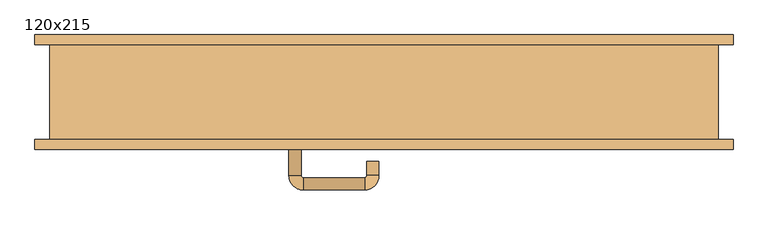
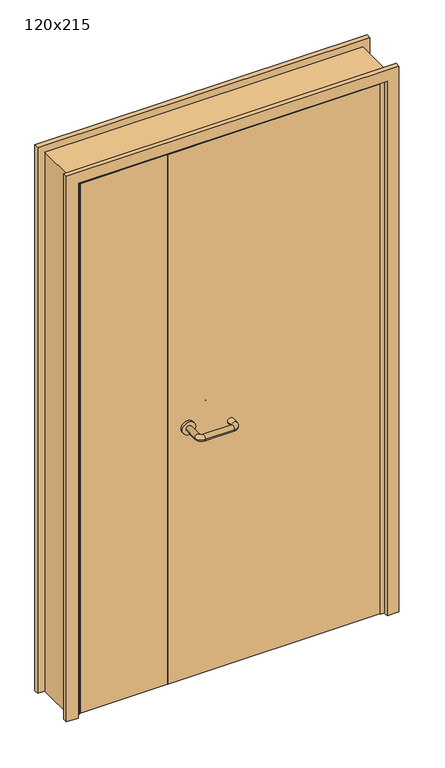
"""IFC4 building model written with IfcOpenShell, lengths in millimetres: door geometry, 120x215."""

from ifc_helpers import new_model, si_unit, point, frame, frame_2d, origin, place, context, project, spatial, polyline, circle_curve, ellipse_curve, trimmed, segment, composite_curve, outline, extrude, faceted_brep, source, transform, mapped, element, save
from ifc_brep_helpers import plane_surface, cylinder_surface, revolved_surface, advanced_brep


def door_120x215_684a6ee0(model_context):
    return source(origin(), model_context, "Body", "SolidModel", [
        faceted_brep([(547.0, 57.0, 0.0), (568.0, 57.0, 0.0), (568.0, -38.0, 0.0), (547.0, -38.0, 0.0), (547.0, -38.0, 2097.0), (547.0, 57.0, 2097.0), (568.0, -38.0, 2118.0), (568.0, 57.0, 2118.0), (-547.0, 57.0, 0.0), (-547.0, -38.0, 0.0), (-568.0, -38.0, 0.0), (-568.0, 57.0, 0.0), (-547.0, 57.0, 2097.0), (-568.0, 57.0, 2118.0), (-568.0, -38.0, 2118.0), (-547.0, -38.0, 2097.0)], [[[0, 1, 2, 3]], [[3, 4, 5, 0]], [[2, 6, 4, 3]], [[1, 7, 6, 2]], [[0, 5, 7, 1]], [[8, 9, 10, 11]], [[12, 8, 11, 13]], [[13, 11, 10, 14]], [[14, 10, 9, 15]], [[15, 9, 8, 12]], [[4, 15, 12, 5]], [[6, 14, 15, 4]], [[7, 13, 14, 6]], [[5, 12, 13, 7]]]),
        extrude(outline(polyline([(2177.0, 627.0), (2177.0, -627.0), (0.0, -627.0), (0.0, -583.0), (2133.0, -583.0), (2133.0, 583.0), (0.0, 583.0), (0.0, 627.0), (2177.0, 627.0)])), frame((0.0, -103.0, 0.0), z_axis=(0.0, 1.0, 0.0), x_axis=(0.0, 0.0, 1.0)), (0.0, 0.0, 1.0), 18.0),
        extrude(outline(polyline([(2177.0, -627.0), (0.0, -627.0), (0.0, -583.0), (2133.0, -583.0), (2133.0, 583.0), (0.0, 583.0), (0.0, 627.0), (2177.0, 627.0), (2177.0, -627.0)])), frame((0.0, 85.0, 0.0), z_axis=(0.0, 1.0, 0.0), x_axis=(0.0, 0.0, 1.0)), (0.0, 0.0, 1.0), 18.0),
        extrude(outline(polyline([(2150.0, -600.0), (0.0, -600.0), (0.0, -568.0), (2118.0, -568.0), (2118.0, 568.0), (0.0, 568.0), (0.0, 600.0), (2150.0, 600.0), (2150.0, -600.0)])), frame((0.0, -85.0, 0.0), z_axis=(0.0, 1.0, 0.0), x_axis=(0.0, 0.0, 1.0)), (0.0, 0.0, 1.0), 170.0),
        advanced_brep(
        [(-171.0, -30.8874183, 1003.0), (-149.0, -30.8874183, 1003.0), (-149.0, 23.9968061, 1003.0), (-171.0, 23.9968061, 1003.0), (-145.0, 27.9968061, 1003.0), (-145.0, 49.9968061, 1003.0), (-35.0, 27.9968061, 1003.0), (-35.0, 49.9968061, 1003.0), (-31.0, 23.9968061, 1003.0), (-9.0, 23.9968061, 1003.0), (-9.0, -10.0, 1003.0), (-31.0, -10.0, 1003.0)],
        [
            (0, 1, circle_curve(frame((-160.0, -30.8874183, 1003.0), z_axis=(0.0, -1.0, 0.0), x_axis=(1.0, 0.0, 0.0)), 11.0)),
            (1, 0, circle_curve(frame((-160.0, -30.8874183, 1003.0), z_axis=(0.0, -1.0, 0.0), x_axis=(1.0, 0.0, 0.0)), 11.0)),
            (1, 2),
            (2, 3, circle_curve(frame((-160.0, 23.9968061, 1003.0), z_axis=(0.0, -1.0, 0.0), x_axis=(1.0, 0.0, 0.0)), 11.0)),
            (3, 0),
            (3, 2, circle_curve(frame((-160.0, 23.9968061, 1003.0), z_axis=(0.0, -1.0, 0.0), x_axis=(1.0, 0.0, 0.0)), 11.0)),
            (4, 5, circle_curve(frame((-145.0, 38.9968061, 1003.0), z_axis=(-1.0, 0.0, 0.0), x_axis=(0.0, -1.0, 0.0)), 11.0)),
            (5, 3, circle_curve(frame((-145.0, 23.9968061, 1003.0), z_axis=(0.0, 0.0, 1.0), x_axis=(-1.0, 0.0, 0.0)), 26.0)),
            (2, 4, circle_curve(frame((-145.0, 23.9968061, 1003.0), z_axis=(0.0, 0.0, -1.0), x_axis=(-1.0, 0.0, 0.0)), 4.0)),
            (5, 4, circle_curve(frame((-145.0, 38.9968061, 1003.0), z_axis=(-1.0, 0.0, 0.0), x_axis=(0.0, -1.0, 0.0)), 11.0)),
            (4, 6),
            (6, 7, circle_curve(frame((-35.0, 38.9968061, 1003.0), z_axis=(-1.0, 0.0, 0.0), x_axis=(0.0, -1.0, 0.0)), 11.0)),
            (7, 5),
            (7, 6, circle_curve(frame((-35.0, 38.9968061, 1003.0), z_axis=(-1.0, 0.0, 0.0), x_axis=(0.0, -1.0, 0.0)), 11.0)),
            (8, 9, circle_curve(frame((-20.0, 23.9968061, 1003.0), z_axis=(0.0, 1.0, 0.0), x_axis=(-1.0, 0.0, 0.0)), 11.0)),
            (9, 7, circle_curve(frame((-35.0, 23.9968061, 1003.0), z_axis=(0.0, 0.0, 1.0), x_axis=(0.0, 1.0, 0.0)), 26.0)),
            (6, 8, circle_curve(frame((-35.0, 23.9968061, 1003.0), z_axis=(0.0, 0.0, -1.0), x_axis=(0.0, 1.0, 0.0)), 4.0)),
            (9, 8, circle_curve(frame((-20.0, 23.9968061, 1003.0), z_axis=(0.0, 1.0, 0.0), x_axis=(-1.0, 0.0, 0.0)), 11.0)),
            (10, 11, circle_curve(frame((-20.0, -10.0, 1003.0), z_axis=(0.0, -1.0, 0.0), x_axis=(-1.0, 0.0, 0.0)), 11.0)),
            (11, 10, circle_curve(frame((-20.0, -10.0, 1003.0), z_axis=(0.0, -1.0, 0.0), x_axis=(-1.0, 0.0, 0.0)), 11.0)),
            (8, 11),
            (10, 9),
        ],
        [
            plane_surface(frame((-171.0, -30.8874183, 1003.0), z_axis=(0.0, -1.0, 0.0), x_axis=(0.0, 0.0, -1.0))),
            cylinder_surface(frame((-160.0, -30.8874183, 1003.0), z_axis=(0.0, -1.0, 0.0), x_axis=(1.0, 0.0, 0.0)), 11.0),
            revolved_surface(trimmed(ellipse_curve(frame((-160.0, 23.9968061, 1003.0), z_axis=(0.0, 1.0, 0.0), x_axis=(1.0, 0.0, 0.0)), 11.0, 11.0), [point((-171.0, 23.9968061, 1003.0))], [point((-149.0, 23.9968061, 1003.0))], True, "CARTESIAN"), (-145.0, 23.9968061, 1003.0), (0.0, 0.0, 1.0)),
            revolved_surface(trimmed(ellipse_curve(frame((-160.0, 23.9968061, 1003.0), z_axis=(0.0, 1.0, 0.0), x_axis=(1.0, 0.0, 0.0)), 11.0, 11.0), [point((-149.0, 23.9968061, 1003.0))], [point((-171.0, 23.9968061, 1003.0))], True, "CARTESIAN"), (-145.0, 23.9968061, 1003.0), (0.0, 0.0, 1.0)),
            cylinder_surface(frame((-145.0, 38.9968061, 1003.0), z_axis=(-1.0, 0.0, 0.0), x_axis=(0.0, -1.0, 0.0)), 11.0),
            revolved_surface(trimmed(ellipse_curve(frame((-35.0, 38.9968061, 1003.0), z_axis=(1.0, 0.0, 0.0), x_axis=(0.0, -1.0, 0.0)), 11.0, 11.0), [point((-35.0, 49.9968061, 1003.0))], [point((-35.0, 27.9968061, 1003.0))], True, "CARTESIAN"), (-35.0, 23.9968061, 1003.0), (0.0, 0.0, 1.0)),
            revolved_surface(trimmed(ellipse_curve(frame((-35.0, 38.9968061, 1003.0), z_axis=(1.0, 0.0, 0.0), x_axis=(0.0, -1.0, 0.0)), 11.0, 11.0), [point((-35.0, 27.9968061, 1003.0))], [point((-35.0, 49.9968061, 1003.0))], True, "CARTESIAN"), (-35.0, 23.9968061, 1003.0), (0.0, 0.0, 1.0)),
            plane_surface(frame((-31.0, -10.0, 1003.0), z_axis=(0.0, -1.0, 0.0), x_axis=(0.0, 0.0, 1.0))),
            cylinder_surface(frame((-20.0, 23.9968061, 1003.0), z_axis=(0.0, 1.0, 0.0), x_axis=(-1.0, 0.0, 0.0)), 11.0),
        ],
        [
            (0, [[1, 2]]),
            (1, [[3, 4, 5, -2]]),
            (1, [[-5, 6, -3, -1]]),
            (2, [[7, 8, -4, 9]]),
            (3, [[10, -9, -6, -8]]),
            (4, [[11, 12, 13, -7]]),
            (4, [[-13, 14, -11, -10]]),
            (5, [[15, 16, -12, 17]]),
            (6, [[18, -17, -14, -16]]),
            (7, [[19, 20]]),
            (8, [[21, -19, 22, -15]]),
            (8, [[-22, -20, -21, -18]]),
        ],
    ),
        extrude(outline(composite_curve([segment(trimmed(circle_curve(frame_2d((1003.0, -160.0)), 25.0), [point((1003.0, -185.0))], [point((1003.0, -135.0))], False, "CARTESIAN"), True, "CONTINUOUS"), segment(trimmed(circle_curve(frame_2d((1003.0, -160.0)), 25.0), [point((1003.0, -135.0))], [point((1003.0, -185.0))], False, "CARTESIAN"), True, "CONTINUOUS")], self_intersect=False)), frame((0.0, -41.0, 0.0), z_axis=(0.0, 1.0, 0.0), x_axis=(0.0, 0.0, 1.0)), (0.0, 0.0, 1.0), 10.1125817),
        advanced_brep(
        [(-149.0, -95.0, 1003.0), (-171.0, -95.0, 1003.0), (-171.0, -150.0, 1003.0), (-149.0, -150.0, 1003.0), (-145.0, -176.0, 1003.0), (-145.0, -154.0, 1003.0), (-35.0, -176.0, 1003.0), (-35.0, -154.0, 1003.0), (-9.0, -150.0, 1003.0), (-31.0, -150.0, 1003.0), (-31.0, -125.0, 1003.0), (-9.0, -125.0, 1003.0)],
        [
            (0, 1, circle_curve(frame((-160.0, -95.0, 1003.0), z_axis=(0.0, 1.0, 0.0), x_axis=(-1.0, 0.0, 0.0)), 11.0)),
            (1, 0, circle_curve(frame((-160.0, -95.0, 1003.0), z_axis=(0.0, 1.0, 0.0), x_axis=(-1.0, 0.0, 0.0)), 11.0)),
            (1, 2),
            (2, 3, circle_curve(frame((-160.0, -150.0, 1003.0), z_axis=(0.0, 1.0, 0.0), x_axis=(-1.0, 0.0, 0.0)), 11.0)),
            (3, 0),
            (3, 2, circle_curve(frame((-160.0, -150.0, 1003.0), z_axis=(0.0, 1.0, 0.0), x_axis=(-1.0, 0.0, 0.0)), 11.0)),
            (4, 5, circle_curve(frame((-145.0, -165.0, 1003.0), z_axis=(-1.0, 0.0, 0.0), x_axis=(0.0, -1.0, 0.0)), 11.0)),
            (5, 3, circle_curve(frame((-145.0, -150.0, 1003.0), z_axis=(0.0, 0.0, -1.0), x_axis=(-1.0, 0.0, 0.0)), 4.0)),
            (2, 4, circle_curve(frame((-145.0, -150.0, 1003.0), z_axis=(0.0, 0.0, 1.0), x_axis=(-1.0, 0.0, 0.0)), 26.0)),
            (5, 4, circle_curve(frame((-145.0, -165.0, 1003.0), z_axis=(-1.0, 0.0, 0.0), x_axis=(0.0, -1.0, 0.0)), 11.0)),
            (4, 6),
            (6, 7, circle_curve(frame((-35.0, -165.0, 1003.0), z_axis=(-1.0, 0.0, 0.0), x_axis=(0.0, -1.0, 0.0)), 11.0)),
            (7, 5),
            (7, 6, circle_curve(frame((-35.0, -165.0, 1003.0), z_axis=(-1.0, 0.0, 0.0), x_axis=(0.0, -1.0, 0.0)), 11.0)),
            (8, 9, circle_curve(frame((-20.0, -150.0, 1003.0), z_axis=(0.0, -1.0, 0.0), x_axis=(1.0, 0.0, 0.0)), 11.0)),
            (9, 7, circle_curve(frame((-35.0, -150.0, 1003.0), z_axis=(0.0, 0.0, -1.0), x_axis=(0.0, -1.0, 0.0)), 4.0)),
            (6, 8, circle_curve(frame((-35.0, -150.0, 1003.0), z_axis=(0.0, 0.0, 1.0), x_axis=(0.0, -1.0, 0.0)), 26.0)),
            (9, 8, circle_curve(frame((-20.0, -150.0, 1003.0), z_axis=(0.0, -1.0, 0.0), x_axis=(1.0, 0.0, 0.0)), 11.0)),
            (10, 11, circle_curve(frame((-20.0, -125.0, 1003.0), z_axis=(0.0, 1.0, 0.0), x_axis=(1.0, 0.0, 0.0)), 11.0)),
            (11, 10, circle_curve(frame((-20.0, -125.0, 1003.0), z_axis=(0.0, 1.0, 0.0), x_axis=(1.0, 0.0, 0.0)), 11.0)),
            (8, 11),
            (10, 9),
        ],
        [
            plane_surface(frame((-171.0, -95.0, 1003.0), z_axis=(0.0, 1.0, 0.0), x_axis=(0.0, 0.0, 1.0))),
            cylinder_surface(frame((-160.0, -95.0, 1003.0), z_axis=(0.0, 1.0, 0.0), x_axis=(-1.0, 0.0, 0.0)), 11.0),
            revolved_surface(trimmed(ellipse_curve(frame((-160.0, -150.0, 1003.0), z_axis=(0.0, -1.0, 0.0), x_axis=(-1.0, 0.0, 0.0)), 11.0, 11.0), [point((-149.0, -150.0, 1003.0))], [point((-171.0, -150.0, 1003.0))], True, "CARTESIAN"), (-145.0, -150.0, 1003.0), (0.0, 0.0, -1.0)),
            revolved_surface(trimmed(ellipse_curve(frame((-160.0, -150.0, 1003.0), z_axis=(0.0, -1.0, 0.0), x_axis=(-1.0, 0.0, 0.0)), 11.0, 11.0), [point((-171.0, -150.0, 1003.0))], [point((-149.0, -150.0, 1003.0))], True, "CARTESIAN"), (-145.0, -150.0, 1003.0), (0.0, 0.0, -1.0)),
            cylinder_surface(frame((-145.0, -165.0, 1003.0), z_axis=(-1.0, 0.0, 0.0), x_axis=(0.0, -1.0, 0.0)), 11.0),
            revolved_surface(trimmed(ellipse_curve(frame((-35.0, -165.0, 1003.0), z_axis=(1.0, 0.0, 0.0), x_axis=(0.0, -1.0, 0.0)), 11.0, 11.0), [point((-35.0, -154.0, 1003.0))], [point((-35.0, -176.0, 1003.0))], True, "CARTESIAN"), (-35.0, -150.0, 1003.0), (0.0, 0.0, -1.0)),
            revolved_surface(trimmed(ellipse_curve(frame((-35.0, -165.0, 1003.0), z_axis=(1.0, 0.0, 0.0), x_axis=(0.0, -1.0, 0.0)), 11.0, 11.0), [point((-35.0, -176.0, 1003.0))], [point((-35.0, -154.0, 1003.0))], True, "CARTESIAN"), (-35.0, -150.0, 1003.0), (0.0, 0.0, -1.0)),
            plane_surface(frame((-31.0, -125.0, 1003.0), z_axis=(0.0, 1.0, 0.0), x_axis=(0.0, 0.0, -1.0))),
            cylinder_surface(frame((-20.0, -150.0, 1003.0), z_axis=(0.0, -1.0, 0.0), x_axis=(1.0, 0.0, 0.0)), 11.0),
        ],
        [
            (0, [[1, 2]]),
            (1, [[3, 4, 5, -2]]),
            (1, [[-5, 6, -3, -1]]),
            (2, [[7, 8, -4, 9]]),
            (3, [[10, -9, -6, -8]]),
            (4, [[11, 12, 13, -7]]),
            (4, [[-13, 14, -11, -10]]),
            (5, [[15, 16, -12, 17]]),
            (6, [[18, -17, -14, -16]]),
            (7, [[19, 20]]),
            (8, [[21, -19, 22, -15]]),
            (8, [[-22, -20, -21, -18]]),
        ],
    ),
        extrude(outline(composite_curve([segment(trimmed(circle_curve(frame_2d((1003.0, -160.0)), 25.0), [point((1003.0, -135.0))], [point((1003.0, -185.0))], False, "CARTESIAN"), True, "CONTINUOUS"), segment(trimmed(circle_curve(frame_2d((1003.0, -160.0)), 25.0), [point((1003.0, -185.0))], [point((1003.0, -135.0))], False, "CARTESIAN"), True, "CONTINUOUS")], self_intersect=False)), frame((0.0, -95.0, 0.0), z_axis=(0.0, 1.0, 0.0), x_axis=(0.0, 0.0, 1.0)), (0.0, 0.0, 1.0), 10.0),
        extrude(outline(polyline([(-236.99898, -41.0), (-236.99898, -85.0), (-565.0, -85.0), (-565.0, -41.0), (-236.99898, -41.0)])), frame((0.0, 0.0, 3.0), z_axis=(0.0, 0.0, 1.0), x_axis=(1.0, 0.0, 0.0)), (0.0, 0.0, 1.0), 2112.0),
        extrude(outline(polyline([(565.0, -41.0), (565.0, -85.0), (-235.0, -85.0), (-235.0, -41.0), (565.0, -41.0)])), frame((0.0, 0.0, 3.0), z_axis=(0.0, 0.0, 1.0), x_axis=(1.0, 0.0, 0.0)), (0.0, 0.0, 1.0), 2112.0),
    ])


if __name__ == "__main__":
    model = new_model("IFC4")
    model_context = context("Model", 3, world=origin())
    ifc_project = project(units=[si_unit("LENGTHUNIT", "METRE", prefix="MILLI")], contexts=[model_context])
    site = spatial("IfcSite", under=ifc_project)
    building = spatial("IfcBuilding", under=site)
    placement = place(None, origin())
    door_120x215_shape = door_120x215_684a6ee0(model_context)
    element("IfcDoor", 1, ObjectType="120x215", at=placement, inside=building, context=model_context, shape_type="MappedRepresentation", body=[
        mapped(door_120x215_shape, transform((0.0, 0.0, 0.0), x_axis=(1.0, 0.0, 0.0), y_axis=(0.0, 1.0, 0.0), z_axis=(0.0, 0.0, 1.0))),
    ])
    save(model, "model.ifc")
